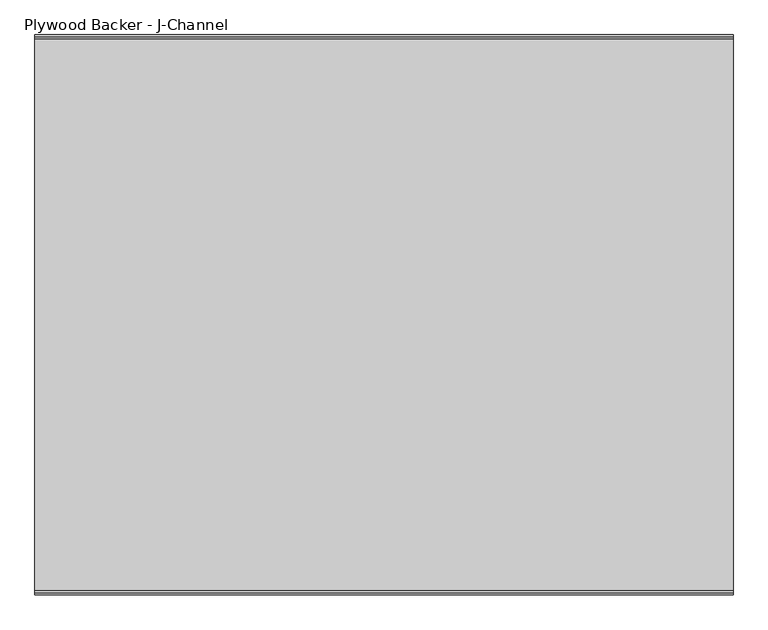
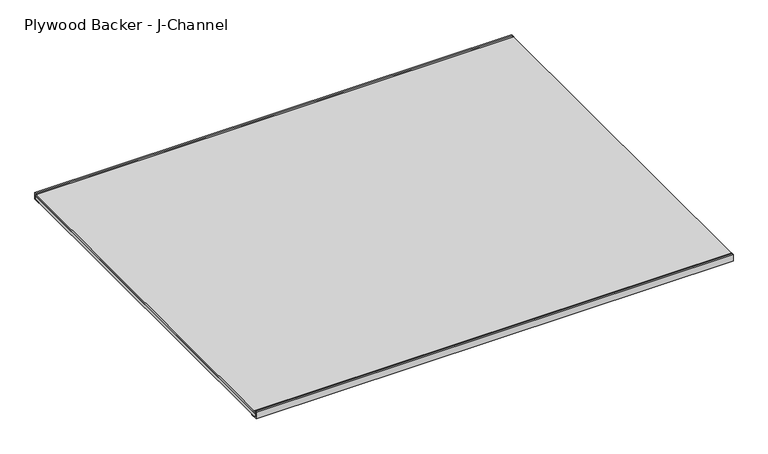
"""IFC4 building model written with IfcOpenShell, lengths in millimetres: proxy geometry, Plywood Backer - J-Channel."""

from ifc_helpers import new_model, si_unit, frame, origin, place, context, project, spatial, polyline, outline, extrude, source, transform, mapped, element, save


def plywood_backer_j_channel_fcdb6012(model_context):
    return source(origin(), model_context, "Body", "SweptSolid", [
        extrude(outline(polyline([(589.43875, 0.0), (589.43875, 1.5875), (609.6, 1.5875), (609.6, 20.6375), (602.9172045, 20.6375), (602.9172045, 21.6852683), (606.8142014, 22.2202766), (611.66375, 22.2202766), (611.66375, 0.0), (589.43875, 0.0)])), frame((-762.0, 0.0, 0.0), z_axis=(1.0, 0.0, 0.0), x_axis=(0.0, 1.0, 0.0)), (0.0, 0.0, 1.0), 1524.0),
        extrude(outline(polyline([(-589.43875, 0.0), (-611.66375, 0.0), (-611.66375, 22.2202766), (-606.8142014, 22.2202766), (-602.9172045, 21.6852683), (-602.9172045, 20.6375), (-609.6, 20.6375), (-609.6, 1.5875), (-589.43875, 1.5875), (-589.43875, 0.0)])), frame((-762.0, 0.0, 0.0), z_axis=(1.0, 0.0, 0.0), x_axis=(0.0, 1.0, 0.0)), (0.0, 0.0, 1.0), 1524.0),
        extrude(outline(polyline([(762.0, -609.6), (-762.0, -609.6), (-762.0, 609.6), (762.0, 609.6), (762.0, -609.6)])), frame((0.0, 0.0, 14.2875), z_axis=(0.0, 0.0, 1.0), x_axis=(1.0, 0.0, 0.0)), (0.0, 0.0, 1.0), 6.35),
        extrude(outline(polyline([(762.0, 609.6), (762.0, -609.6), (-762.0, -609.6), (-762.0, 609.6), (762.0, 609.6)])), frame((0.0, 0.0, 1.5875), z_axis=(0.0, 0.0, 1.0), x_axis=(1.0, 0.0, 0.0)), (0.0, 0.0, 1.0), 12.7),
    ])


if __name__ == "__main__":
    model = new_model("IFC4")
    model_context = context("Model", 3, world=origin())
    ifc_project = project(units=[si_unit("LENGTHUNIT", "METRE", prefix="MILLI")], contexts=[model_context])
    site = spatial("IfcSite", under=ifc_project)
    building = spatial("IfcBuilding", under=site)
    placement = place(None, origin())
    plywood_backer_j_channel_shape = plywood_backer_j_channel_fcdb6012(model_context)
    element("IfcBuildingElementProxy", 1, Name="Plywood Backer - J-Channel", ObjectType="Plywood Backer - J-Channel", at=placement, inside=building, context=model_context, shape_type="MappedRepresentation", body=[
        mapped(plywood_backer_j_channel_shape, transform((0.0, 0.0, 0.0), x_axis=(1.0, 0.0, 0.0), y_axis=(0.0, 1.0, 0.0), z_axis=(0.0, 0.0, 1.0))),
    ])
    save(model, "model.ifc")
